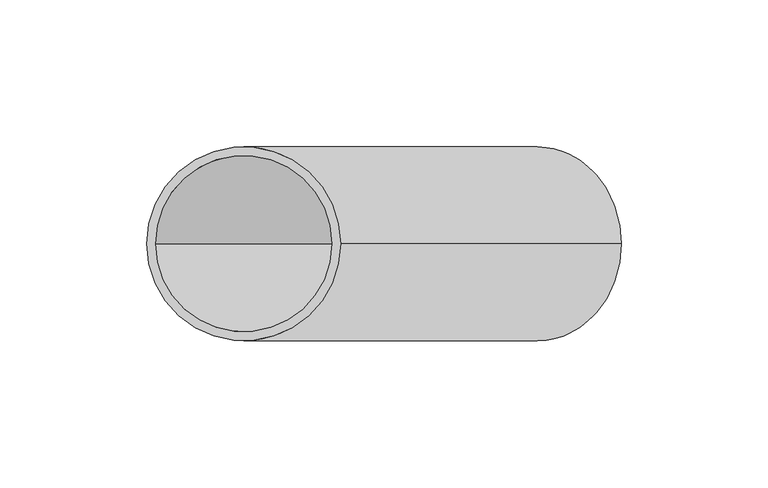
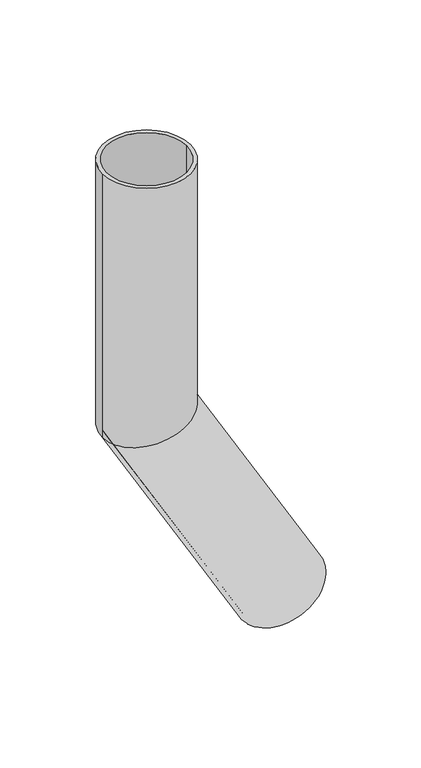
"""IFC4 building model written with IfcOpenShell, lengths in millimetres: beam geometry."""

from ifc_helpers import new_model, si_unit, frame, origin, place, context, project, spatial, polyline, circle_curve, ellipse_curve, source, transform, mapped, element, save
from ifc_brep_helpers import plane_surface, cylinder_surface, revolved_surface, advanced_brep


def beam_03a9e28b(model_context):
    return source(origin(), model_context, "Body", "AdvancedBrep", [
        advanced_brep(
        [(128.5788383, 0.0, -356.7050808), (71.4211617, 0.0, -389.7050808), (125.9807621, 0.0, -358.2050808), (74.0192379, 0.0, -388.2050808), (33.0, 0.0, 0.0), (-33.0, 0.0, 0.0), (30.0, 0.0, 0.0), (-30.0, 0.0, 0.0), (30.0, 0.0, -191.9615242), (0.0, -30.0, -200.0), (-30.0, 0.0, -208.0384758), (0.0, 30.0, -200.0), (33.0, 0.0, -191.1576766), (-33.0, 0.0, -208.8423234)],
        [
            (0, 1, circle_curve(frame((100.0, 0.0, -373.2050808), z_axis=(0.5000000000000633, 0.0, -0.8660254037844022), x_axis=(-0.8660254037844022, 0.0, -0.5000000000000633)), 33.0)),
            (1, 0, circle_curve(frame((100.0, 0.0, -373.2050808), z_axis=(0.5000000000000633, 0.0, -0.8660254037844022), x_axis=(-0.8660254037844022, 0.0, -0.5000000000000633)), 33.0)),
            (2, 3, circle_curve(frame((100.0, 0.0, -373.2050808), z_axis=(-0.5000000000000633, 0.0, 0.8660254037844022), x_axis=(-0.8660254037844022, 0.0, -0.5000000000000633)), 30.0)),
            (3, 2, circle_curve(frame((100.0, 0.0, -373.2050808), z_axis=(-0.5000000000000633, 0.0, 0.8660254037844022), x_axis=(-0.8660254037844022, 0.0, -0.5000000000000633)), 30.0)),
            (4, 5, circle_curve(frame((0.0, 0.0, 0.0), z_axis=(0.0, 0.0, 1.0), x_axis=(-1.0, 0.0, 0.0)), 33.0)),
            (5, 4, circle_curve(frame((0.0, 0.0, 0.0), z_axis=(0.0, 0.0, 1.0), x_axis=(-1.0, 0.0, 0.0)), 33.0)),
            (6, 7, circle_curve(frame((0.0, 0.0, 0.0), z_axis=(0.0, 0.0, -1.0), x_axis=(-1.0, 0.0, 0.0)), 30.0)),
            (7, 6, circle_curve(frame((0.0, 0.0, 0.0), z_axis=(0.0, 0.0, -1.0), x_axis=(-1.0, 0.0, 0.0)), 30.0)),
            (6, 8),
            (8, 9, ellipse_curve(frame((0.0, 0.0, -200.0), z_axis=(0.25881904510255604, 0.0, -0.9659258262890589), x_axis=(0.9659258262890589, 0.0, 0.25881904510255593)), 31.0582854, 30.0)),
            (9, 10, ellipse_curve(frame((0.0, 0.0, -200.0), z_axis=(0.25881904510255604, 0.0, -0.9659258262890589), x_axis=(0.9659258262890589, 0.0, 0.25881904510255593)), 31.0582854, 30.0)),
            (10, 7),
            (10, 11, ellipse_curve(frame((0.0, 0.0, -200.0), z_axis=(0.25881904510255604, 0.0, -0.9659258262890589), x_axis=(0.9659258262890589, 0.0, 0.25881904510255593)), 31.0582854, 30.0)),
            (11, 8, ellipse_curve(frame((0.0, 0.0, -200.0), z_axis=(0.25881904510255604, 0.0, -0.9659258262890589), x_axis=(0.9659258262890589, 0.0, 0.25881904510255593)), 31.0582854, 30.0)),
            (4, 12),
            (12, 13, ellipse_curve(frame((0.0, 0.0, -200.0), z_axis=(-0.25881904510255604, 0.0, 0.9659258262890589), x_axis=(-0.9659258262890589, 0.0, -0.25881904510255593)), 34.164114, 33.0)),
            (13, 5),
            (13, 12, ellipse_curve(frame((0.0, 0.0, -200.0), z_axis=(-0.25881904510255604, 0.0, 0.9659258262890589), x_axis=(-0.9659258262890589, 0.0, -0.25881904510255593)), 34.164114, 33.0)),
            (2, 8),
            (10, 3),
            (0, 12),
            (13, 1),
        ],
        [
            plane_surface(frame((100.0, 0.0, -373.2050808), z_axis=(0.5000000000000633, 0.0, -0.8660254037844022), x_axis=(0.0, -1.0, 0.0))),
            plane_surface(frame((0.0, 0.0, 0.0), z_axis=(0.0, 0.0, 1.0), x_axis=(0.0, -1.0, 0.0))),
            revolved_surface(polyline([(-30.0, 0.0, 0.0), (-30.0, 0.0, -208.0384758)]), (0.0, 0.0, -200.0), (0.0, 0.0, 1.0)),
            cylinder_surface(frame((0.0, 0.0, -200.0), z_axis=(0.0, 0.0, -1.0), x_axis=(-1.0, 0.0, 0.0)), 33.0),
            revolved_surface(polyline([(-30.000000017088738, 0.0, -208.03847578647776), (74.01923788985013, 0.0, -388.20508080586)]), (100.0, 0.0, -373.2050808), (-0.5000000000000633, 0.0, 0.8660254037844022)),
            cylinder_surface(frame((100.0, 0.0, -373.2050808), z_axis=(0.5000000000000633, 0.0, -0.8660254037844022), x_axis=(-0.8660254037844022, 0.0, -0.5000000000000633)), 33.0),
        ],
        [
            (0, [[1, 2], [3, 4]]),
            (1, [[5, 6], [7, 8]]),
            (2, [[-7, 9, 10, 11, 12]]),
            (2, [[-8, -12, 13, 14, -9]]),
            (3, [[-5, 15, 16, 17]]),
            (3, [[-6, -17, 18, -15]]),
            (4, [[-3, 19, -14, -13, 20]]),
            (4, [[-4, -20, -11, -10, -19]]),
            (5, [[-1, 21, -18, 22]]),
            (5, [[-2, -22, -16, -21]]),
        ],
    ),
    ])


if __name__ == "__main__":
    model = new_model("IFC4")
    model_context = context("Model", 3, world=origin())
    ifc_project = project(units=[si_unit("LENGTHUNIT", "METRE", prefix="MILLI")], contexts=[model_context])
    site = spatial("IfcSite", under=ifc_project)
    building = spatial("IfcBuilding", under=site)
    placement = place(None, origin())
    beam_shape = beam_03a9e28b(model_context)
    element("IfcBeam", 1, at=placement, inside=building, context=model_context, shape_type="MappedRepresentation", body=[
        mapped(beam_shape, transform((0.0, 0.0, 0.0), x_axis=(1.0, 0.0, 0.0), y_axis=(0.0, 1.0, 0.0), z_axis=(0.0, 0.0, 1.0))),
    ])
    save(model, "model.ifc")
